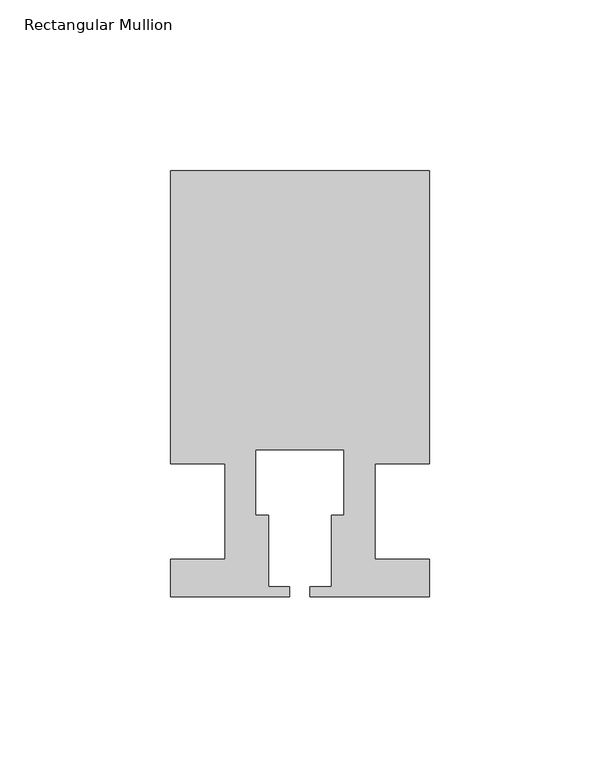
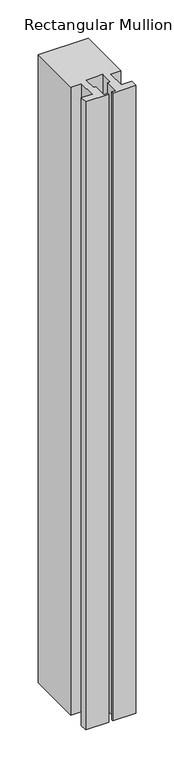
"""IFC4 building model written with IfcOpenShell, lengths in millimetres: member geometry, Rectangular Mullion."""

from ifc_helpers import new_model, si_unit, frame, origin, place, context, project, spatial, polyline, outline, extrude, source, transform, mapped, element, save


def rectangular_mullion_6b66a440(model_context):
    return source(origin(), model_context, "Body", "SweptSolid", [
        extrude(outline(polyline([(37.9999914, 99.9960123), (37.9999914, 13.9960123), (21.9999651, 13.9960123), (21.9999651, -14.0039877), (37.9999896, -14.0039877), (37.9999896, -25.0039877), (2.9999651, -25.0039877), (2.9999651, -22.0039877), (9.1999651, -22.0039877), (9.1999651, -1.0039877), (12.9999651, -1.0039877), (12.9999651, 18.1960075), (-12.9999633, 18.1960075), (-12.9999633, -1.0039877), (-9.1999633, -1.0039877), (-9.1999633, -22.0039877), (-2.9999896, -22.0039877), (-2.9999896, -25.0039877), (-37.9999896, -25.0039877), (-37.9999896, -14.0039877), (-21.9999633, -14.0039877), (-21.9999633, 13.9960123), (-37.9999896, 13.9960123), (-37.9999896, 99.9960123), (37.9999914, 99.9960123)])), frame((0.0, 0.0, -1006.6595328), z_axis=(0.0, 0.0, 1.0), x_axis=(1.0, 0.0, 0.0)), (0.0, 0.0, 1.0), 1006.6595328),
    ])


if __name__ == "__main__":
    model = new_model("IFC4")
    model_context = context("Model", 3, world=origin())
    ifc_project = project(units=[si_unit("LENGTHUNIT", "METRE", prefix="MILLI")], contexts=[model_context])
    site = spatial("IfcSite", under=ifc_project)
    building = spatial("IfcBuilding", under=site)
    placement = place(None, origin())
    rectangular_mullion_shape = rectangular_mullion_6b66a440(model_context)
    element("IfcMember", 1, ObjectType="Rectangular Mullion", at=placement, inside=building, context=model_context, shape_type="MappedRepresentation", body=[
        mapped(rectangular_mullion_shape, transform((0.0, 0.0, 0.0), x_axis=(1.0, 0.0, 0.0), y_axis=(0.0, 1.0, 0.0), z_axis=(0.0, 0.0, 1.0))),
    ])
    save(model, "model.ifc")
